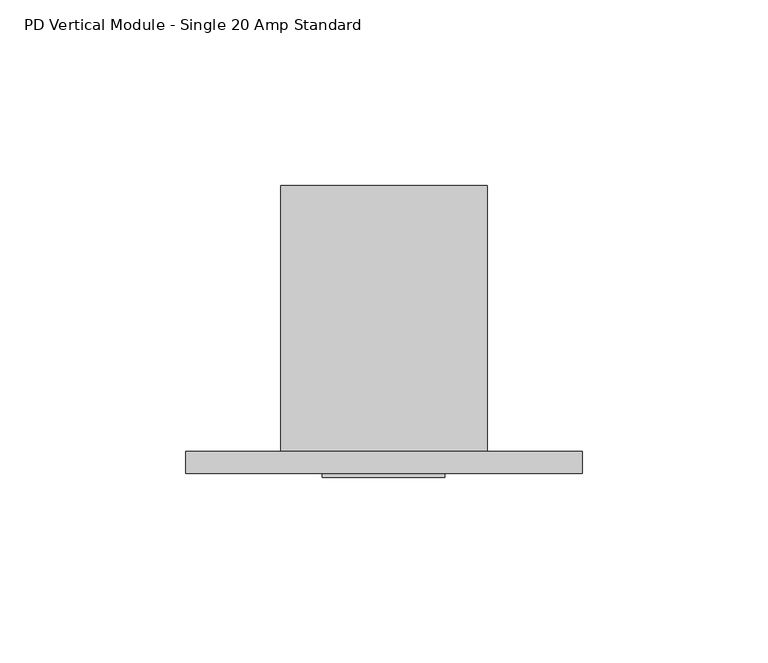
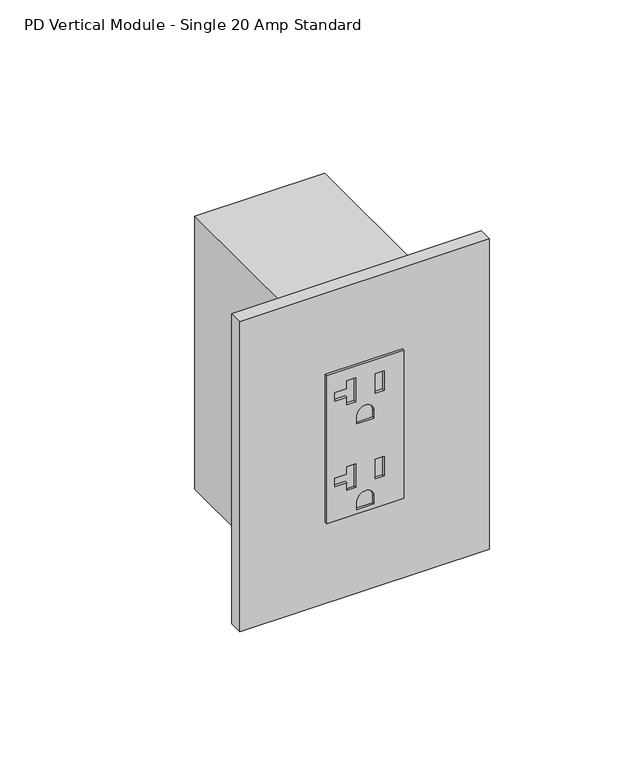
"""IFC4 building model written with IfcOpenShell, lengths in millimetres: proxy geometry, PD Vertical Module - Single 20 Amp Standard."""

from ifc_helpers import new_model, si_unit, point, frame, frame_2d, origin, place, context, project, spatial, polyline, circle_curve, trimmed, segment, composite_curve, outline, extrude, source, transform, mapped, element, save


def pd_vertical_module_single_20_amp_standard_4b623c85(model_context):
    return source(origin(), model_context, "Body", "SweptSolid", [
        extrude(outline(polyline([(414.4772, 44.0944), (414.4772, 11.0998), (347.5228, 11.0998), (347.5228, 44.0944), (414.4772, 44.0944)]), holes=[polyline([(409.0924, 23.4442), (398.272, 23.4442), (398.272, 19.6088), (401.7518, 19.6088), (401.7518, 14.5034), (405.6126, 14.5034), (405.6126, 19.6088), (409.0924, 19.6088), (409.0924, 23.4442)]), polyline([(408.1145, 35.6108), (399.2499, 35.6108), (399.2499, 31.7754), (408.1145, 31.7754), (408.1145, 35.6108)]), composite_curve([segment(polyline([(388.0866, 31.2293), (388.0866, 23.9649), (391.7188, 23.9649)]), True, "CONTINUOUS"), segment(trimmed(circle_curve(frame_2d((391.7188, 27.5971)), 3.6322), [point((391.7188, 23.9649))], [point((391.7188, 31.2293))], True, "CARTESIAN"), True, "CONTINUOUS"), segment(polyline([(391.7188, 31.2293), (388.0866, 31.2293)]), True, "CONTINUOUS")], self_intersect=False), polyline([(370.3574, 23.4442), (359.537, 23.4442), (359.537, 19.6088), (363.0168, 19.6088), (363.0168, 14.5034), (366.8776, 14.5034), (366.8776, 19.6088), (370.3574, 19.6088), (370.3574, 23.4442)]), polyline([(369.3795, 35.6108), (360.5149, 35.6108), (360.5149, 31.7754), (369.3795, 31.7754), (369.3795, 35.6108)]), composite_curve([segment(polyline([(349.3516, 31.2293), (349.3516, 23.9649), (352.9838, 23.9649)]), True, "CONTINUOUS"), segment(trimmed(circle_curve(frame_2d((352.9838, 27.5971)), 3.6322), [point((352.9838, 23.9649))], [point((352.9838, 31.2293))], True, "CARTESIAN"), True, "CONTINUOUS"), segment(polyline([(352.9838, 31.2293), (349.3516, 31.2293)]), True, "CONTINUOUS")], self_intersect=False)]), frame((0.0, -6.9294746, 0.0), z_axis=(0.0, 1.0, 0.0), x_axis=(0.0, 0.0, 1.0)), (0.0, 0.0, 1.0), 1.0366746),
        extrude(outline(polyline([(-25.6794, 0.0), (81.2292, 0.0), (81.2292, -5.8928), (-25.6794, -5.8928), (-25.6794, 0.0)])), frame((0.0, 0.0, 310.8198), z_axis=(0.0, 0.0, 1.0), x_axis=(1.0, 0.0, 0.0)), (0.0, 0.0, 1.0), 140.3604),
        extrude(outline(polyline([(55.5498, 0.0), (0.0, 0.0), (0.0, 71.7296), (55.5498, 71.7296), (55.5498, 0.0)])), frame((0.0, 0.0, 319.2526), z_axis=(0.0, 0.0, 1.0), x_axis=(1.0, 0.0, 0.0)), (0.0, 0.0, 1.0), 123.4948),
    ])


if __name__ == "__main__":
    model = new_model("IFC4")
    model_context = context("Model", 3, world=origin())
    ifc_project = project(units=[si_unit("LENGTHUNIT", "METRE", prefix="MILLI")], contexts=[model_context])
    site = spatial("IfcSite", under=ifc_project)
    building = spatial("IfcBuilding", under=site)
    placement = place(None, origin())
    pd_vertical_module_single_20_amp_standard_shape = pd_vertical_module_single_20_amp_standard_4b623c85(model_context)
    element("IfcBuildingElementProxy", 1, Name="PD Vertical Module - Single 20 Amp Standard", ObjectType="PD Vertical Module - Single 20 Amp Standard", at=placement, inside=building, context=model_context, shape_type="MappedRepresentation", body=[
        mapped(pd_vertical_module_single_20_amp_standard_shape, transform((0.0, 0.0, 0.0), x_axis=(1.0, 0.0, 0.0), y_axis=(0.0, 1.0, 0.0), z_axis=(0.0, 0.0, 1.0))),
    ])
    save(model, "model.ifc")
